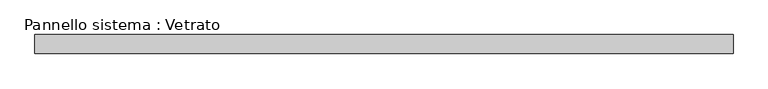
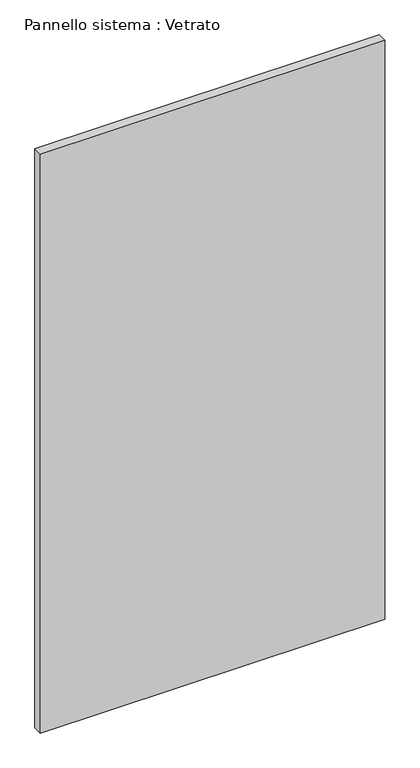
"""IFC4 building model written with IfcOpenShell, lengths in millimetres: plate geometry, Pannello sistema : Vetrato."""

from ifc_helpers import new_model, si_unit, origin, origin_with_axes, place, context, project, spatial, polyline, outline, extrude, source, transform, mapped, element, save


def pannello_sistema_vetrato_b887abb6(model_context):
    return source(origin(), model_context, "Body", "SweptSolid", [
        extrude(outline(polyline([(550.0, -15.0), (-550.0, -15.0), (-550.0, 15.0), (550.0, 15.0), (550.0, -15.0)])), origin_with_axes(), (0.0, 0.0, 1.0), 1955.0),
    ])


if __name__ == "__main__":
    model = new_model("IFC4")
    model_context = context("Model", 3, world=origin())
    ifc_project = project(units=[si_unit("LENGTHUNIT", "METRE", prefix="MILLI")], contexts=[model_context])
    site = spatial("IfcSite", under=ifc_project)
    building = spatial("IfcBuilding", under=site)
    placement = place(None, origin())
    pannello_sistema_vetrato_shape = pannello_sistema_vetrato_b887abb6(model_context)
    element("IfcPlate", 1, ObjectType="Pannello sistema : Vetrato", at=placement, inside=building, context=model_context, shape_type="MappedRepresentation", body=[
        mapped(pannello_sistema_vetrato_shape, transform((0.0, 0.0, 0.0), x_axis=(1.0, 0.0, 0.0), y_axis=(0.0, 1.0, 0.0), z_axis=(0.0, 0.0, 1.0))),
    ])
    save(model, "model.ifc")
